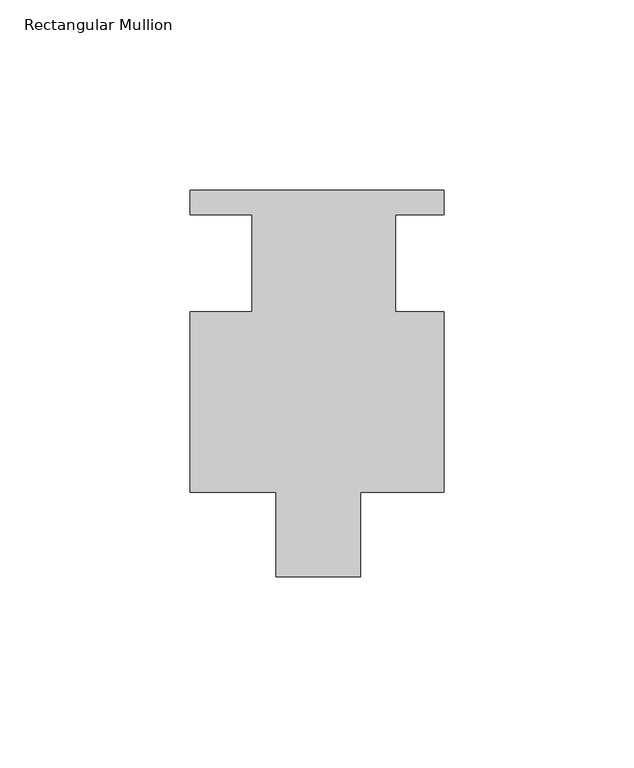
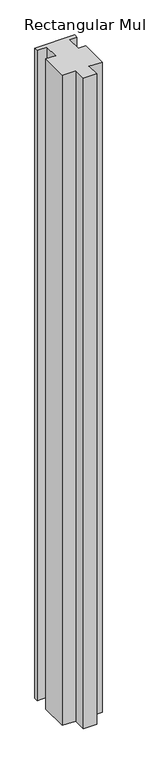
"""IFC4 building model written with IfcOpenShell, lengths in millimetres: member geometry, Rectangular Mullion."""

from ifc_helpers import new_model, si_unit, frame, origin, place, context, project, spatial, polyline, outline, extrude, source, transform, mapped, element, save


def rectangular_mullion_3f88e4fe(model_context):
    return source(origin(), model_context, "Body", "SweptSolid", [
        extrude(outline(polyline([(15.8437777, -73.025), (-6.3812223, -73.025), (-6.3812223, -50.8), (-29.0030973, -50.8), (-29.0030973, -3.302), (-12.7312223, -3.302), (-12.7312223, 22.098), (-29.0030973, 22.098), (-29.0030973, 28.575), (37.6719027, 28.575), (37.6719027, 22.098), (24.9701322, 22.098), (24.9701322, -3.302), (37.6719027, -3.302), (37.6719027, -50.8), (15.8437777, -50.8), (15.8437777, -73.025)])), frame((0.0, 0.0, -1152.525), z_axis=(0.0, 0.0, 1.0), x_axis=(1.0, 0.0, 0.0)), (0.0, 0.0, 1.0), 1152.525),
    ])


if __name__ == "__main__":
    model = new_model("IFC4")
    model_context = context("Model", 3, world=origin())
    ifc_project = project(units=[si_unit("LENGTHUNIT", "METRE", prefix="MILLI")], contexts=[model_context])
    site = spatial("IfcSite", under=ifc_project)
    building = spatial("IfcBuilding", under=site)
    placement = place(None, origin())
    rectangular_mullion_shape = rectangular_mullion_3f88e4fe(model_context)
    element("IfcMember", 1, ObjectType="Rectangular Mullion", at=placement, inside=building, context=model_context, shape_type="MappedRepresentation", body=[
        mapped(rectangular_mullion_shape, transform((0.0, 0.0, 0.0), x_axis=(1.0, 0.0, 0.0), y_axis=(0.0, 1.0, 0.0), z_axis=(0.0, 0.0, 1.0))),
    ])
    save(model, "model.ifc")
